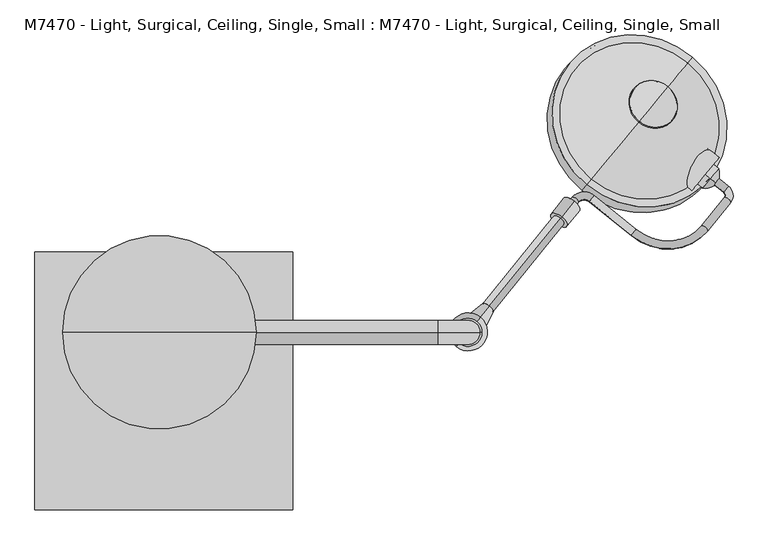
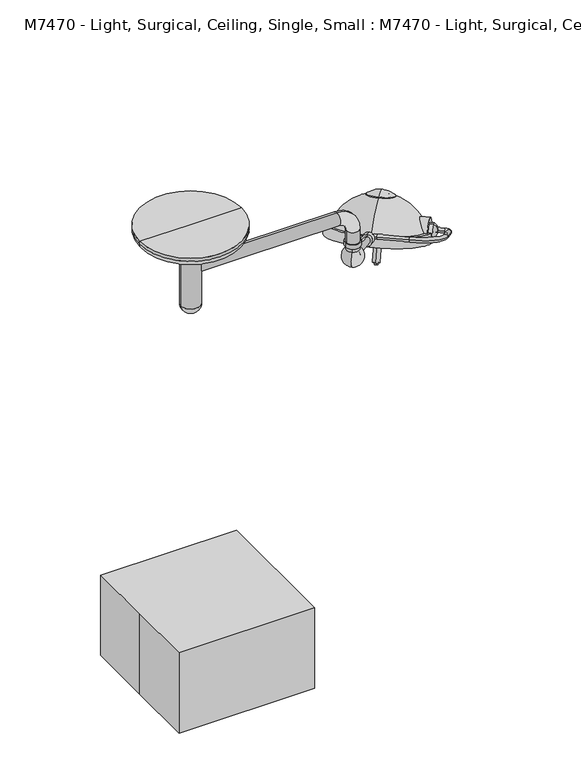
"""IFC4 building model written with IfcOpenShell, lengths in millimetres: proxy geometry, M7470 - Light, Surgical, Ceiling, Single, Small : M7470 - Light, Surgical, Ceiling, Single, Small."""

from ifc_helpers import new_model, si_unit, point, frame, frame_2d, origin, origin_with_axes, origin_2d, place, context, project, spatial, polyline, circle_curve, ellipse_curve, trimmed, segment, composite_curve, outline, extrude, source, transform, mapped, element, save
from ifc_brep_helpers import plane_surface, cylinder_surface, revolved_surface, advanced_brep


def m7470_light_surgical_ceiling_single_small_m7470_light_662d009d(model_context):
    return source(origin(), model_context, "Body", "SolidModel", [
        advanced_brep(
        [(1740.835031, 642.2802758, 1801.3604265), (1726.2322463, 624.2473385, 1811.6915373), (1762.8864892, 594.5653179, 1811.6915373), (1777.4892739, 612.5982552, 1801.3604265), (1765.4548505, 577.5564802, 1816.8570926), (1785.194358, 561.5717423, 1816.8570926), (1692.9754347, 488.0518556, 1868.1344952), (1712.7149421, 472.0671177, 1868.1344952), (1486.9216817, 475.7626592, 1930.1211596), (1472.318897, 457.7297218, 1940.4522704), (1355.271585, 582.3708055, 1930.1211596), (1340.6688003, 564.3378681, 1940.4522704), (1286.5870007, 578.2744067, 1950.7833811), (1306.3265081, 562.2896687, 1950.7833811), (1251.0372497, 494.0131207, 1989.8991704), (1231.2977423, 509.9978587, 1989.8991704)],
        [
            (0, 1, circle_curve(frame((1733.5336387, 633.2638072, 1806.5259819), z_axis=(-0.7771459614569792, 0.6293203910498273, 0.0), x_axis=(-0.5749127846454345, -0.7099581630143155, 0.40673664307580054)), 12.7)),
            (1, 0, circle_curve(frame((1733.5336387, 633.2638072, 1806.5259819), z_axis=(-0.7771459614569792, 0.6293203910498273, 0.0), x_axis=(-0.5749127846454345, -0.7099581630143155, 0.40673664307580054)), 12.7)),
            (1, 2),
            (2, 3, circle_curve(frame((1770.1878816, 603.5817865, 1806.5259819), z_axis=(-0.7771459614569792, 0.6293203910498273, 0.0), x_axis=(-0.5749127846454345, -0.7099581630143155, 0.40673664307580054)), 12.7)),
            (3, 0),
            (3, 2, circle_curve(frame((1770.1878816, 603.5817865, 1806.5259819), z_axis=(-0.7771459614569792, 0.6293203910498273, 0.0), x_axis=(-0.5749127846454345, -0.7099581630143155, 0.40673664307580054)), 12.7)),
            (4, 5, circle_curve(frame((1775.3246043, 569.5641113, 1816.8570926), z_axis=(0.5749127846454254, 0.7099581630143228, -0.4067366430758005), x_axis=(-0.7771459614569861, 0.629320391049819, 0.0)), 12.7)),
            (5, 3, circle_curve(frame((1755.5850968, 585.5488492, 1816.8570926), z_axis=(0.2559676632747577, 0.31609373954292624, 0.9135454576426008), x_axis=(0.5749127846454357, 0.7099581630143145, -0.4067366430758004)), 38.1)),
            (2, 4, circle_curve(frame((1755.5850968, 585.5488492, 1816.8570926), z_axis=(-0.2559676632747577, -0.31609373954292624, -0.9135454576426008), x_axis=(0.5749127846454357, 0.7099581630143145, -0.4067366430758004)), 12.7)),
            (5, 4, circle_curve(frame((1775.3246043, 569.5641113, 1816.8570926), z_axis=(0.5749127846454295, 0.7099581630143195, -0.4067366430758005), x_axis=(-0.777145961456983, 0.6293203910498227, 0.0)), 12.7)),
            (4, 6),
            (6, 7, circle_curve(frame((1702.8451884, 480.0594867, 1868.1344952), z_axis=(0.5749127846454346, 0.7099581630143152, -0.40673664307580043), x_axis=(-0.777145961456979, 0.6293203910498273, 0.0)), 12.7)),
            (7, 5),
            (7, 6, circle_curve(frame((1702.8451884, 480.0594867, 1868.1344952), z_axis=(0.5749127846454346, 0.7099581630143152, -0.40673664307580043), x_axis=(-0.777145961456979, 0.6293203910498273, 0.0)), 12.7)),
            (8, 9, circle_curve(frame((1479.6202894, 466.7461905, 1935.286715), z_axis=(0.7771459614569776, -0.6293203910498293, 0.0), x_axis=(0.5749127846454368, 0.7099581630143139, -0.4067366430758004)), 12.7)),
            (9, 7, circle_curve(frame((1574.5383901, 583.9602832, 1868.1344952), z_axis=(0.2559676632747577, 0.31609373954292624, 0.9135454576426008), x_axis=(0.7771459614569818, -0.6293203910498242, 0.0)), 177.8)),
            (6, 8, circle_curve(frame((1574.5383901, 583.9602832, 1868.1344952), z_axis=(-0.2559676632747577, -0.31609373954292624, -0.9135454576426008), x_axis=(0.7771459614569818, -0.6293203910498242, 0.0)), 152.4)),
            (9, 8, circle_curve(frame((1479.6202894, 466.7461905, 1935.286715), z_axis=(0.7771459614569789, -0.6293203910498277, 0.0), x_axis=(0.574912784645435, 0.7099581630143152, -0.4067366430758004)), 12.7)),
            (8, 10),
            (10, 11, circle_curve(frame((1347.9701926, 573.3543368, 1935.286715), z_axis=(0.777145961456978, -0.6293203910498286, 0.0), x_axis=(0.574912784645436, 0.7099581630143144, -0.4067366430758003)), 12.7)),
            (11, 9),
            (11, 10, circle_curve(frame((1347.9701926, 573.3543368, 1935.286715), z_axis=(0.777145961456978, -0.6293203910498286, 0.0), x_axis=(0.574912784645436, 0.7099581630143144, -0.4067366430758003)), 12.7)),
            (12, 13, circle_curve(frame((1296.4567544, 570.2820377, 1950.7833811), z_axis=(0.5749127846454382, 0.7099581630143125, -0.40673664307580054), x_axis=(-0.7771459614569767, 0.6293203910498307, 0.0)), 12.7)),
            (13, 11, circle_curve(frame((1326.0660155, 546.3049308, 1950.7833811), z_axis=(-0.2559676632747577, -0.31609373954292624, -0.9135454576426008), x_axis=(0.5749127846454407, 0.7099581630143105, -0.4067366430758004)), 25.4)),
            (10, 12, circle_curve(frame((1326.0660155, 546.3049308, 1950.7833811), z_axis=(0.2559676632747577, 0.31609373954292624, 0.9135454576426008), x_axis=(0.5749127846454407, 0.7099581630143105, -0.4067366430758004)), 50.8)),
            (13, 12, circle_curve(frame((1296.4567544, 570.2820377, 1950.7833811), z_axis=(0.5749127846454369, 0.7099581630143135, -0.40673664307580054), x_axis=(-0.7771459614569776, 0.6293203910498296, 0.0)), 12.7)),
            (14, 15, circle_curve(frame((1241.167496, 502.0054897, 1989.8991704), z_axis=(-0.5749127846454374, -0.7099581630143132, 0.40673664307580004), x_axis=(-0.7771459614569771, 0.6293203910498298, 0.0)), 12.7)),
            (15, 14, circle_curve(frame((1241.167496, 502.0054897, 1989.8991704), z_axis=(-0.5749127846454374, -0.7099581630143132, 0.40673664307580004), x_axis=(-0.7771459614569771, 0.6293203910498298, 0.0)), 12.7)),
            (12, 15),
            (14, 13),
        ],
        [
            plane_surface(frame((1306.7585861, 106.2405083, 283.3710423), z_axis=(-0.7771459614569792, 0.6293203910498271, 0.0), x_axis=(0.2559676632747578, 0.3160937395429264, 0.9135454576426008))),
            cylinder_surface(frame((1733.5336387, 633.2638072, 1806.5259819), z_axis=(-0.7771459614569792, 0.6293203910498273, 0.0), x_axis=(-0.5749127846454345, -0.7099581630143155, 0.40673664307580054)), 12.7),
            revolved_surface(trimmed(ellipse_curve(frame((1770.1878816, 603.5817865, 1806.5259819), z_axis=(0.7771459614569786, -0.6293203910498283, 0.0), x_axis=(-0.5749127846454356, -0.7099581630143146, 0.40673664307580043)), 12.7, 12.7), [point((1777.4892739, 612.5982552, 1801.3604265))], [point((1762.8864892, 594.5653179, 1811.6915373))], True, "CARTESIAN"), (1328.8100443, 58.5255503, 293.7021531), (0.25596766327475773, 0.3160937395429263, 0.913545457642601)),
            revolved_surface(trimmed(ellipse_curve(frame((1770.1878816, 603.5817865, 1806.5259819), z_axis=(0.7771459614569786, -0.6293203910498283, 0.0), x_axis=(-0.5749127846454356, -0.7099581630143146, 0.40673664307580043)), 12.7, 12.7), [point((1762.8864892, 594.5653179, 1811.6915373))], [point((1777.4892739, 612.5982552, 1801.3604265))], True, "CARTESIAN"), (1328.8100443, 58.5255503, 293.7021531), (0.25596766327475773, 0.3160937395429263, 0.913545457642601)),
            cylinder_surface(frame((1775.3246043, 569.5641113, 1816.8570926), z_axis=(0.5749127846454346, 0.7099581630143152, -0.40673664307580043), x_axis=(-0.777145961456979, 0.6293203910498273, 0.0)), 12.7),
            revolved_surface(trimmed(ellipse_curve(frame((1702.8451884, 480.0594867, 1868.1344952), z_axis=(-0.5749127846454308, -0.7099581630143185, 0.4067366430758007), x_axis=(-0.777145961456982, 0.6293203910498238, 0.0)), 12.7, 12.7), [point((1712.7149421, 472.0671177, 1868.1344952))], [point((1692.9754347, 488.0518556, 1868.1344952))], True, "CARTESIAN"), (1147.7633376, 56.9369844, 344.9795556), (0.25596766327475773, 0.3160937395429263, 0.913545457642601)),
            revolved_surface(trimmed(ellipse_curve(frame((1702.8451884, 480.0594867, 1868.1344952), z_axis=(-0.5749127846454308, -0.7099581630143185, 0.4067366430758007), x_axis=(-0.777145961456982, 0.6293203910498238, 0.0)), 12.7, 12.7), [point((1692.9754347, 488.0518556, 1868.1344952))], [point((1712.7149421, 472.0671177, 1868.1344952))], True, "CARTESIAN"), (1147.7633376, 56.9369844, 344.9795556), (0.25596766327475773, 0.3160937395429263, 0.913545457642601)),
            cylinder_surface(frame((1479.6202894, 466.7461905, 1935.286715), z_axis=(0.7771459614569782, -0.6293203910498287, 0.0), x_axis=(0.574912784645436, 0.7099581630143144, -0.4067366430758003)), 12.7),
            revolved_surface(trimmed(ellipse_curve(frame((1347.9701926, 573.3543368, 1935.286715), z_axis=(-0.777145961456975, 0.629320391049833, 0.0), x_axis=(0.5749127846454405, 0.7099581630143107, -0.4067366430758002)), 12.7, 12.7), [point((1340.6688003, 564.3378681, 1940.4522704))], [point((1355.271585, 582.3708055, 1930.1211596))], True, "CARTESIAN"), (899.290963, 19.2816319, 427.6284415), (-0.25596766327475773, -0.3160937395429263, -0.913545457642601)),
            revolved_surface(trimmed(ellipse_curve(frame((1347.9701926, 573.3543368, 1935.286715), z_axis=(-0.777145961456975, 0.629320391049833, 0.0), x_axis=(0.5749127846454405, 0.7099581630143107, -0.4067366430758002)), 12.7, 12.7), [point((1355.271585, 582.3708055, 1930.1211596))], [point((1340.6688003, 564.3378681, 1940.4522704))], True, "CARTESIAN"), (899.290963, 19.2816319, 427.6284415), (-0.25596766327475773, -0.3160937395429263, -0.913545457642601)),
            plane_surface(frame((814.3924435, -25.0178092, 466.7442308), z_axis=(-0.5749127846454377, -0.7099581630143132, 0.4067366430758001), x_axis=(0.25596766327475756, 0.3160937395429259, 0.9135454576426011))),
            cylinder_surface(frame((1296.4567544, 570.2820377, 1950.7833811), z_axis=(0.5749127846454374, 0.7099581630143132, -0.40673664307580004), x_axis=(-0.7771459614569771, 0.6293203910498298, 0.0)), 12.7),
        ],
        [
            (0, [[1, 2]]),
            (1, [[3, 4, 5, -2]]),
            (1, [[-5, 6, -3, -1]]),
            (2, [[7, 8, -4, 9]]),
            (3, [[10, -9, -6, -8]]),
            (4, [[11, 12, 13, -7]]),
            (4, [[-13, 14, -11, -10]]),
            (5, [[15, 16, -12, 17]]),
            (6, [[18, -17, -14, -16]]),
            (7, [[19, 20, 21, -15]]),
            (7, [[-21, 22, -19, -18]]),
            (8, [[23, 24, -20, 25]]),
            (9, [[26, -25, -22, -24]]),
            (10, [[27, 28]]),
            (11, [[29, -27, 30, -23]]),
            (11, [[-30, -28, -29, -26]]),
        ],
    ),
        advanced_brep(
        [(1721.261074, 637.7345795, 1763.693259), (1705.2225201, 651.0325107, 1763.693259), (1705.2225201, 651.0325107, 1844.9108067), (1721.261074, 637.7345795, 1844.9108067), (1741.0506282, 621.3266083, 1804.3020328), (1705.2225201, 651.0325107, 1804.3020328)],
        [
            (0, 1),
            (1, 2, circle_curve(frame((1705.2225201, 651.0325107, 1804.3020328), z_axis=(0.7698129796821993, -0.6382695169854298, 0.0), x_axis=(0.0, 0.0, 1.0)), 40.6087738)),
            (2, 3),
            (3, 0, circle_curve(frame((1721.261074, 637.7345795, 1804.3020328), z_axis=(-0.7698129796821993, 0.6382695169854298, 0.0), x_axis=(0.0, 0.0, 1.0)), 40.6087738)),
            (2, 1, circle_curve(frame((1705.2225201, 651.0325107, 1804.3020328), z_axis=(0.7698129796821993, -0.6382695169854298, 0.0), x_axis=(0.0, 0.0, 1.0)), 40.6087738)),
            (0, 3, circle_curve(frame((1721.261074, 637.7345795, 1804.3020328), z_axis=(-0.7698129796821993, 0.6382695169854298, 0.0), x_axis=(0.0, 0.0, 1.0)), 40.6087738)),
            (4, 0, circle_curve(frame((1698.880381, 656.290923, 1810.5387051), z_axis=(0.6382695169854301, 0.769812979682199, 0.0), x_axis=(-0.7698129796821991, 0.63826951698543, 0.0)), 55.1337385)),
            (3, 4, circle_curve(frame((1698.880381, 656.290923, 1798.0653606), z_axis=(0.6382695169854297, 0.7698129796821994, 0.0), x_axis=(-0.7698129796821995, 0.6382695169854296, 0.0)), 55.1337385)),
            (1, 5),
            (5, 2),
        ],
        [
            cylinder_surface(frame((1705.2225201, 651.0325107, 1804.3020328), z_axis=(0.7698129796821993, -0.6382695169854298, 0.0), x_axis=(0.0, 0.0, 1.0)), 40.6087738),
            revolved_surface(trimmed(ellipse_curve(frame((1698.880381, 656.290923, 1798.0653606), z_axis=(0.6382695169854297, 0.7698129796821994, 0.0), x_axis=(-0.7698129796821995, 0.6382695169854296, 0.0)), 55.1337385, 55.1337385), [point((1721.261074, 637.7345795, 1844.9108067))], [point((1741.0506282, 621.3266083, 1804.3020328))], True, "CARTESIAN"), (1705.2225201, 651.0325107, 1804.3020328), (0.7698129796821993, -0.6382695169854298, 0.0)),
            revolved_surface(trimmed(ellipse_curve(frame((1698.880381, 656.290923, 1798.0653606), z_axis=(0.6382695169854296, 0.7698129796821995, 0.0), x_axis=(-0.7698129796821996, 0.6382695169854294, 0.0)), 55.1337385, 55.1337385), [point((1721.261074, 637.7345795, 1844.9108067))], [point((1741.0506282, 621.3266083, 1804.3020328))], True, "CARTESIAN"), (1705.2225201, 651.0325107, 1804.3020328), (0.7698129796821993, -0.6382695169854298, 0.0)),
            plane_surface(frame((1705.2225201, 651.0325107, 1804.3020328), z_axis=(-0.7698129796821992, 0.6382695169854299, 0.0), x_axis=(0.0, 0.0, 1.0))),
        ],
        [
            (0, [[1, 2, 3, 4]]),
            (0, [[-3, 5, -1, 6]]),
            (1, [[7, -4, 8]]),
            (2, [[-8, -6, -7]]),
            (3, [[9, 10, -2]]),
            (3, [[-10, -9, -5]]),
        ],
    ),
        advanced_brep(
        [(1496.9081674, 817.6344001, 1984.2946884), (1549.4769053, 881.037235, 1978.868084), (1587.2262401, 926.5664779, 1921.2927814), (1495.0601272, 815.4054901, 1981.6876662), (1587.2262401, 926.5664779, 1917.3966478), (1545.2418093, 875.9293114, 1963.9650044)],
        [
            (0, 1, circle_curve(frame((1514.8788649, 839.308749, 1783.8916913), z_axis=(-0.7698129796821976, 0.6382695169854321, 0.0), x_axis=(0.42708566892083927, 0.5151054258776686, -0.7431448254773932)), 202.3711557)),
            (1, 2, circle_curve(frame((1480.1450063, 797.4164536, 1808.1205002), z_axis=(-0.7698129796821995, 0.6382695169854299, 0.0), x_axis=(-0.6382695169854299, -0.7698129796821994, 0.0)), 202.3711557)),
            (2, 0, circle_curve(frame((1542.0672038, 872.100439, 1952.7937349), z_axis=(0.25960760071626565, 0.31311114715211635, 0.9135454576426013), x_axis=(0.5830882179937766, 0.7032591508229892, -0.4067366430757995)), 77.4480344)),
            (0, 2, circle_curve(frame((1542.0672038, 872.100439, 1952.7937349), z_axis=(0.25960760071626565, 0.31311114715211635, 0.9135454576426013), x_axis=(0.5830882179937766, 0.7032591508229892, -0.4067366430757995)), 77.4480344)),
            (3, 0),
            (2, 4),
            (4, 3, circle_curve(frame((1541.1431837, 870.985984, 1949.542157), z_axis=(0.25960760071626565, 0.31311114715211635, 0.9135454576426013), x_axis=(0.5830882179937766, 0.7032591508229892, -0.4067366430757995)), 79.0327347)),
            (3, 4, circle_curve(frame((1541.1431837, 870.985984, 1949.542157), z_axis=(0.25960760071626565, 0.31311114715211635, 0.9135454576426013), x_axis=(0.5830882179937766, 0.7032591508229892, -0.4067366430757995)), 79.0327347)),
            (5, 3, circle_curve(frame((1480.6908648, 798.0748102, 1698.5639329), z_axis=(0.7698129796821976, -0.6382695169854321, 0.0), x_axis=(0.42708566892083927, 0.5151054258776686, -0.7431448254773932)), 284.0173877)),
            (4, 5, circle_curve(frame((1462.5480105, 776.192824, 1711.2195886), z_axis=(0.7698129796821995, -0.6382695169854299, 0.0), x_axis=(-0.6382695169854299, -0.7698129796821994, 0.0)), 284.0173877)),
        ],
        [
            revolved_surface(trimmed(ellipse_curve(frame((1480.1450063, 797.4164536, 1808.1205002), z_axis=(-0.7698129796821995, 0.6382695169854299, 0.0), x_axis=(-0.6382695169854299, -0.7698129796821994, 0.0)), 202.3711557, 202.3711557), [point((1549.4769053, 881.037235, 1978.868084))], [point((1587.2262401, 926.5664779, 1921.2927814))], True, "CARTESIAN"), (1516.9910853, 841.8562852, 1864.5521965), (-0.25960760071626565, -0.31311114715211635, -0.9135454576426013)),
            revolved_surface(trimmed(ellipse_curve(frame((1480.1450063, 797.4164536, 1808.1205002), z_axis=(-0.7698129796821993, 0.6382695169854298, 0.0), x_axis=(-0.6382695169854298, -0.7698129796821993, 0.0)), 202.3711557, 202.3711557), [point((1549.4769053, 881.037235, 1978.868084))], [point((1587.2262401, 926.5664779, 1921.2927814))], True, "CARTESIAN"), (1516.9910853, 841.8562852, 1864.5521965), (-0.25960760071626565, -0.31311114715211635, -0.9135454576426013)),
            revolved_surface(polyline([(1587.2262401, 926.5664779, 1921.2927814), (1587.2262401, 926.5664779, 1917.3966478)]), (1516.9910853, 841.8562852, 1864.5521965), (-0.25960760071626565, -0.31311114715211635, -0.9135454576426013)),
            revolved_surface(trimmed(ellipse_curve(frame((1462.5480105, 776.192824, 1711.2195886), z_axis=(0.7698129796821995, -0.6382695169854299, 0.0), x_axis=(-0.6382695169854299, -0.7698129796821994, 0.0)), 284.0173877, 284.0173877), [point((1587.2262401, 926.5664779, 1917.3966478))], [point((1545.2418093, 875.9293114, 1963.9650044))], True, "CARTESIAN"), (1516.9910853, 841.8562852, 1864.5521965), (-0.25960760071626565, -0.31311114715211635, -0.9135454576426013)),
            revolved_surface(trimmed(ellipse_curve(frame((1462.5480105, 776.192824, 1711.2195886), z_axis=(0.7698129796821993, -0.6382695169854298, 0.0), x_axis=(-0.6382695169854298, -0.7698129796821993, 0.0)), 284.0173877, 284.0173877), [point((1587.2262401, 926.5664779, 1917.3966478))], [point((1545.2418093, 875.9293114, 1963.9650044))], True, "CARTESIAN"), (1516.9910853, 841.8562852, 1864.5521965), (-0.25960760071626565, -0.31311114715211635, -0.9135454576426013)),
        ],
        [
            (0, [[1, 2, 3]]),
            (1, [[-2, -1, 4]]),
            (2, [[5, -3, 6, 7]]),
            (2, [[-6, -4, -5, 8]]),
            (3, [[9, -7, 10]]),
            (4, [[-10, -8, -9]]),
        ],
    ),
        advanced_brep(
        [(1448.7501126, 759.5512633, 1624.4158117), (1456.1553329, 768.4826545, 1619.2502563), (1441.3448922, 750.6198721, 1629.5813671), (1451.1647669, 762.4635632, 1609.2425198), (1445.5510315, 755.6928711, 1613.1584142), (1439.9372961, 748.922179, 1617.0743086)],
        [
            (0, 1),
            (1, 2, circle_curve(frame((1448.7501126, 759.5512633, 1624.4158117), z_axis=(0.2596076007162656, 0.31311114715211635, 0.9135454576426013), x_axis=(-0.5830882179937766, -0.7032591508229892, 0.40673664307579943)), 12.7)),
            (2, 0),
            (2, 1, circle_curve(frame((1448.7501126, 759.5512633, 1624.4158117), z_axis=(0.2596076007162656, 0.31311114715211635, 0.9135454576426013), x_axis=(-0.5830882179937766, -0.7032591508229892, 0.40673664307579943)), 12.7)),
            (3, 4),
            (4, 5),
            (5, 3, circle_curve(frame((1445.5510315, 755.6928711, 1613.1584142), z_axis=(-0.2596076007162656, -0.31311114715211635, -0.9135454576426013), x_axis=(-0.5830882179937766, -0.7032591508229892, 0.40673664307579943)), 9.6275919)),
            (3, 5, circle_curve(frame((1445.5510315, 755.6928711, 1613.1584142), z_axis=(-0.2596076007162656, -0.31311114715211635, -0.9135454576426013), x_axis=(-0.5830882179937766, -0.7032591508229892, 0.40673664307579943)), 9.6275919)),
            (1, 3),
            (5, 2),
        ],
        [
            plane_surface(frame((1448.7501126, 759.5512633, 1624.4158117), z_axis=(0.25960760071626565, 0.31311114715211635, 0.9135454576426012), x_axis=(-0.5830882179937766, -0.7032591508229892, 0.40673664307579943))),
            plane_surface(frame((1445.5510315, 755.6928711, 1613.1584142), z_axis=(-0.25960760071626565, -0.31311114715211635, -0.9135454576426012), x_axis=(-0.5830882179937766, -0.7032591508229892, 0.40673664307579943))),
            revolved_surface(polyline([(1439.9372961, 748.922179, 1617.0743086), (1441.3448922, 750.6198721, 1629.5813671)]), (1475.1262448, 791.3633558, 1717.2320302), (0.2596076007162656, 0.31311114715211635, 0.9135454576426013)),
        ],
        [
            (0, [[1, 2, 3]]),
            (0, [[-3, 4, -1]]),
            (1, [[5, 6, 7]]),
            (1, [[-6, -5, 8]]),
            (2, [[9, -7, 10, -2]]),
            (2, [[-10, -8, -9, -4]]),
        ],
    ),
        advanced_brep(
        [(1475.1262448, 791.3633558, 1717.2320302), (1486.2340754, 804.7604427, 1709.4836971), (1464.0184142, 777.966269, 1724.9803632), (1459.8579431, 772.9483501, 1616.6674786), (1448.7501126, 759.5512633, 1624.4158117), (1437.642282, 746.1541765, 1632.1641447)],
        [
            (0, 1),
            (1, 2, circle_curve(frame((1475.1262448, 791.3633558, 1717.2320302), z_axis=(0.2596076007162656, 0.31311114715211635, 0.9135454576426013), x_axis=(-0.5830882179937766, -0.7032591508229892, 0.40673664307579943)), 19.05)),
            (2, 0),
            (2, 1, circle_curve(frame((1475.1262448, 791.3633558, 1717.2320302), z_axis=(0.2596076007162656, 0.31311114715211635, 0.9135454576426013), x_axis=(-0.5830882179937766, -0.7032591508229892, 0.40673664307579943)), 19.05)),
            (3, 4),
            (4, 5),
            (5, 3, circle_curve(frame((1448.7501126, 759.5512633, 1624.4158117), z_axis=(-0.2596076007162656, -0.31311114715211635, -0.9135454576426013), x_axis=(-0.5830882179937766, -0.7032591508229892, 0.40673664307579943)), 19.05)),
            (3, 5, circle_curve(frame((1448.7501126, 759.5512633, 1624.4158117), z_axis=(-0.2596076007162656, -0.31311114715211635, -0.9135454576426013), x_axis=(-0.5830882179937766, -0.7032591508229892, 0.40673664307579943)), 19.05)),
            (1, 3),
            (5, 2),
        ],
        [
            plane_surface(frame((1475.1262448, 791.3633558, 1717.2320302), z_axis=(0.25960760071626565, 0.31311114715211635, 0.9135454576426012), x_axis=(-0.5830882179937766, -0.7032591508229892, 0.40673664307579943))),
            plane_surface(frame((1448.7501126, 759.5512633, 1624.4158117), z_axis=(-0.25960760071626565, -0.31311114715211635, -0.9135454576426012), x_axis=(-0.5830882179937766, -0.7032591508229892, 0.40673664307579943))),
            cylinder_surface(frame((1475.1262448, 791.3633558, 1717.2320302), z_axis=(0.2596076007162656, 0.31311114715211635, 0.9135454576426013), x_axis=(-0.5830882179937766, -0.7032591508229892, 0.40673664307579943)), 19.05),
        ],
        [
            (0, [[1, 2, 3]]),
            (0, [[-3, 4, -1]]),
            (1, [[5, 6, 7]]),
            (1, [[-6, -5, 8]]),
            (2, [[9, -7, 10, -2]]),
            (2, [[-10, -8, -9, -4]]),
        ],
    ),
        advanced_brep(
        [(1480.0717696, 797.3281232, 1734.6350712), (1505.9900409, 828.5879925, 1716.5556274), (1454.1534983, 766.0682539, 1752.7145149), (1501.0445161, 822.6232251, 1699.1525864), (1475.1262448, 791.3633558, 1717.2320302), (1449.2079735, 760.1034866, 1735.311474)],
        [
            (0, 1),
            (1, 2, circle_curve(frame((1480.0717696, 797.3281232, 1734.6350712), z_axis=(0.2596076007162652, 0.31311114715211585, 0.9135454576426016), x_axis=(-0.5830882179937769, -0.7032591508229895, 0.4067366430757988)), 44.45)),
            (2, 0),
            (2, 1, circle_curve(frame((1480.0717696, 797.3281232, 1734.6350712), z_axis=(0.2596076007162652, 0.31311114715211585, 0.9135454576426016), x_axis=(-0.5830882179937769, -0.7032591508229895, 0.4067366430757988)), 44.45)),
            (3, 4),
            (4, 5),
            (5, 3, circle_curve(frame((1475.1262448, 791.3633558, 1717.2320302), z_axis=(-0.2596076007162652, -0.31311114715211585, -0.9135454576426016), x_axis=(-0.5830882179937769, -0.7032591508229895, 0.4067366430757988)), 44.45)),
            (3, 5, circle_curve(frame((1475.1262448, 791.3633558, 1717.2320302), z_axis=(-0.2596076007162652, -0.31311114715211585, -0.9135454576426016), x_axis=(-0.5830882179937769, -0.7032591508229895, 0.4067366430757988)), 44.45)),
            (1, 3),
            (5, 2),
        ],
        [
            plane_surface(frame((1480.0717696, 797.3281232, 1734.6350712), z_axis=(0.25960760071626526, 0.31311114715211585, 0.9135454576426016), x_axis=(-0.5830882179937769, -0.7032591508229895, 0.4067366430757988))),
            plane_surface(frame((1475.1262448, 791.3633558, 1717.2320302), z_axis=(-0.25960760071626526, -0.31311114715211585, -0.9135454576426016), x_axis=(-0.5830882179937769, -0.7032591508229895, 0.4067366430757988))),
            cylinder_surface(frame((1480.0717696, 797.3281232, 1734.6350712), z_axis=(0.2596076007162652, 0.31311114715211585, 0.9135454576426016), x_axis=(-0.5830882179937769, -0.7032591508229895, 0.4067366430757988)), 44.45),
        ],
        [
            (0, [[1, 2, 3]]),
            (0, [[-3, 4, -1]]),
            (1, [[5, 6, 7]]),
            (1, [[-6, -5, 8]]),
            (2, [[9, -7, 10, -2]]),
            (2, [[-10, -8, -9, -4]]),
        ],
    ),
        advanced_brep(
        [(1483.0837441, 800.9608473, 1745.2340505), (1516.4072357, 841.1521078, 1721.9890514), (1449.7602524, 760.7695868, 1768.4790497), (1510.3832868, 833.8866596, 1713.4910927), (1480.0717696, 797.3281232, 1734.6350712), (1449.7602524, 760.7695868, 1755.7790497)],
        [
            (0, 1),
            (1, 2, circle_curve(frame((1483.0837441, 800.9608473, 1745.2340505), z_axis=(0.25960760071626576, 0.3131111471521165, 0.9135454576426012), x_axis=(-0.5830882179937765, -0.7032591508229892, 0.40673664307579965)), 57.15)),
            (2, 0),
            (2, 1, circle_curve(frame((1483.0837441, 800.9608473, 1745.2340505), z_axis=(0.25960760071626576, 0.3131111471521165, 0.9135454576426012), x_axis=(-0.5830882179937765, -0.7032591508229892, 0.40673664307579965)), 57.15)),
            (3, 4),
            (4, 5),
            (5, 3, circle_curve(frame((1480.0717696, 797.3281232, 1734.6350712), z_axis=(-0.25960760071626576, -0.3131111471521165, -0.9135454576426012), x_axis=(-0.5830882179937765, -0.7032591508229892, 0.40673664307579965)), 51.9844446)),
            (3, 5, circle_curve(frame((1480.0717696, 797.3281232, 1734.6350712), z_axis=(-0.25960760071626576, -0.3131111471521165, -0.9135454576426012), x_axis=(-0.5830882179937765, -0.7032591508229892, 0.40673664307579965)), 51.9844446)),
            (1, 3),
            (5, 2),
        ],
        [
            plane_surface(frame((1483.0837441, 800.9608473, 1745.2340505), z_axis=(0.25960760071626576, 0.3131111471521165, 0.9135454576426012), x_axis=(-0.5830882179937765, -0.7032591508229892, 0.40673664307579965))),
            plane_surface(frame((1480.0717696, 797.3281232, 1734.6350712), z_axis=(-0.25960760071626576, -0.3131111471521165, -0.9135454576426012), x_axis=(-0.5830882179937765, -0.7032591508229892, 0.40673664307579965))),
            revolved_surface(polyline([(1449.7602524, 760.7695868, 1755.7790497), (1449.7602524, 760.7695868, 1768.4790497)]), (1483.0837441, 800.9608473, 1745.2340505), (0.25960760071626576, 0.3131111471521165, 0.9135454576426012)),
        ],
        [
            (0, [[1, 2, 3]]),
            (0, [[-3, 4, -1]]),
            (1, [[5, 6, 7]]),
            (1, [[-6, -5, 8]]),
            (2, [[9, -7, 10, -2]]),
            (2, [[-10, -8, -9, -4]]),
        ],
    ),
        extrude(outline(composite_curve([segment(polyline([(25.1937137, 4.6953206), (-31.6273953, 132.317621)]), True, "CONTINUOUS"), segment(trimmed(circle_curve(frame_2d((0.0, 69.9387006)), 69.9387006), [point((-31.6273953, 132.317621))], [point((25.1937137, 4.6953206))], False, "CARTESIAN"), True, "CONTINUOUS")], self_intersect=False)), frame((1659.5038481, 595.8914987, 1800.6600142), z_axis=(-0.7698129796821992, 0.6382695169854299, 0.0), x_axis=(0.0, 0.0, 1.0)), (0.0, 0.0, 1.0), 84.2600986),
        advanced_brep(
        [(1346.1133009, 635.7616294, 1903.3370584), (1545.2465329, 875.9350086, 1963.9816266), (1649.727336, 1001.9486693, 1691.5492884), (1350.1582608, 640.640231, 1900.5154726), (1645.6823761, 997.0700677, 1694.3708742), (1543.5949178, 873.9430057, 1958.1696802)],
        [
            (0, 1, circle_curve(frame((1477.2351085, 793.9068435, 1679.3194701), z_axis=(-0.7698129796821976, 0.6382695169854323, 0.0), x_axis=(0.4270856689208392, 0.5151054258776685, -0.7431448254773935)), 303.9518334)),
            (1, 2, circle_curve(frame((1455.7322005, 767.972317, 1694.318951), z_axis=(-0.7698129796821995, 0.6382695169854298, 0.0), x_axis=(-0.6382695169854299, -0.7698129796821995, 0.0)), 303.9518334)),
            (2, 0, circle_curve(frame((1497.9203184, 818.8551493, 1797.4431734), z_axis=(0.2596076007162657, 0.31311114715211646, 0.9135454576426013), x_axis=(0.5830882179937766, 0.7032591508229892, -0.4067366430757996)), 260.35)),
            (0, 2, circle_curve(frame((1497.9203184, 818.8551493, 1797.4431734), z_axis=(0.2596076007162657, 0.31311114715211646, 0.9135454576426013), x_axis=(0.5830882179937766, 0.7032591508229892, -0.4067366430757996)), 260.35)),
            (3, 0),
            (2, 4),
            (4, 3, circle_curve(frame((1497.9203184, 818.8551493, 1797.4431734), z_axis=(0.2596076007162657, 0.31311114715211646, 0.9135454576426013), x_axis=(0.5830882179937766, 0.7032591508229892, -0.4067366430757996)), 253.412868)),
            (3, 4, circle_curve(frame((1497.9203184, 818.8551493, 1797.4431734), z_axis=(0.2596076007162657, 0.31311114715211646, 0.9135454576426013), x_axis=(0.5830882179937766, 0.7032591508229892, -0.4067366430757996)), 253.412868)),
            (5, 3, circle_curve(frame((1477.2351085, 793.9068435, 1679.3194701), z_axis=(0.7698129796821976, -0.6382695169854323, 0.0), x_axis=(0.4270856689208392, 0.5151054258776685, -0.7431448254773935)), 297.6018334)),
            (4, 5, circle_curve(frame((1455.7322005, 767.972317, 1694.318951), z_axis=(0.7698129796821995, -0.6382695169854298, 0.0), x_axis=(-0.6382695169854299, -0.7698129796821995, 0.0)), 297.6018334)),
        ],
        [
            revolved_surface(trimmed(ellipse_curve(frame((1455.7322005, 767.972317, 1694.318951), z_axis=(-0.7698129796821995, 0.6382695169854298, 0.0), x_axis=(-0.6382695169854299, -0.7698129796821995, 0.0)), 303.9518334, 303.9518334), [point((1545.2465329, 875.9350086, 1963.9816266))], [point((1649.727336, 1001.9486693, 1691.5492884))], True, "CARTESIAN"), (1497.9203184, 818.8551493, 1797.4431734), (-0.2596076007162657, -0.31311114715211646, -0.9135454576426013)),
            revolved_surface(trimmed(ellipse_curve(frame((1455.7322005, 767.972317, 1694.318951), z_axis=(-0.7698129796821995, 0.6382695169854299, 0.0), x_axis=(-0.6382695169854299, -0.7698129796821995, 0.0)), 303.9518334, 303.9518334), [point((1545.2465329, 875.9350086, 1963.9816266))], [point((1649.727336, 1001.9486693, 1691.5492884))], True, "CARTESIAN"), (1497.9203184, 818.8551493, 1797.4431734), (-0.2596076007162657, -0.31311114715211646, -0.9135454576426013)),
            plane_surface(frame((1497.9203184, 818.8551493, 1797.4431734), z_axis=(-0.25960760071626576, -0.31311114715211646, -0.9135454576426012), x_axis=(0.5830882179937766, 0.7032591508229892, -0.4067366430757996))),
            revolved_surface(trimmed(ellipse_curve(frame((1455.7322005, 767.972317, 1694.318951), z_axis=(0.7698129796821995, -0.6382695169854298, 0.0), x_axis=(-0.6382695169854299, -0.7698129796821995, 0.0)), 297.6018334, 297.6018334), [point((1645.6823761, 997.0700677, 1694.3708742))], [point((1543.5949178, 873.9430057, 1958.1696802))], True, "CARTESIAN"), (1497.9203184, 818.8551493, 1797.4431734), (-0.2596076007162657, -0.31311114715211646, -0.9135454576426013)),
            revolved_surface(trimmed(ellipse_curve(frame((1455.7322005, 767.972317, 1694.318951), z_axis=(0.7698129796821995, -0.6382695169854299, 0.0), x_axis=(-0.6382695169854299, -0.7698129796821995, 0.0)), 297.6018334, 297.6018334), [point((1645.6823761, 997.0700677, 1694.3708742))], [point((1543.5949178, 873.9430057, 1958.1696802))], True, "CARTESIAN"), (1497.9203184, 818.8551493, 1797.4431734), (-0.2596076007162657, -0.31311114715211646, -0.9135454576426013)),
        ],
        [
            (0, [[1, 2, 3]]),
            (1, [[-2, -1, 4]]),
            (2, [[5, -3, 6, 7]]),
            (2, [[-6, -4, -5, 8]]),
            (3, [[9, -7, 10]]),
            (4, [[-10, -8, -9]]),
        ],
    ),
        advanced_brep(
        [(1316.4662858, 600.0045449, 1861.4590463), (1331.3028602, 617.898847, 1913.6681692), (1664.5377767, 1019.8114517, 1681.2181777), (1649.7012024, 1001.9171496, 1629.0090547), (1320.168896, 604.4702405, 1858.8762686), (1645.9985922, 997.451454, 1631.5918324), (1333.3569621, 620.3762868, 1905.2843778), (1659.1866583, 1013.3575003, 1677.9999417), (1496.2718102, 816.8668936, 1791.6421598), (1497.9203184, 818.8551493, 1797.4431734)],
        [
            (0, 1),
            (1, 2, circle_curve(frame((1497.9203184, 818.8551493, 1797.4431734), z_axis=(-0.2596076007162655, -0.3131111471521162, -0.9135454576426014), x_axis=(0.5830882179937767, 0.7032591508229893, -0.4067366430757992)), 285.75)),
            (2, 3),
            (3, 0, circle_curve(frame((1483.0837441, 800.9608473, 1745.2340505), z_axis=(0.2596076007162655, 0.3131111471521162, 0.9135454576426014), x_axis=(0.5830882179937767, 0.7032591508229893, -0.4067366430757992)), 285.75)),
            (2, 1, circle_curve(frame((1497.9203184, 818.8551493, 1797.4431734), z_axis=(-0.2596076007162655, -0.3131111471521162, -0.9135454576426014), x_axis=(0.5830882179937767, 0.7032591508229893, -0.4067366430757992)), 285.75)),
            (0, 3, circle_curve(frame((1483.0837441, 800.9608473, 1745.2340505), z_axis=(0.2596076007162655, 0.3131111471521162, 0.9135454576426014), x_axis=(0.5830882179937767, 0.7032591508229893, -0.4067366430757992)), 285.75)),
            (4, 0),
            (3, 5),
            (5, 4, circle_curve(frame((1483.0837441, 800.9608473, 1745.2340505), z_axis=(0.2596076007162655, 0.3131111471521162, 0.9135454576426014), x_axis=(0.5830882179937767, 0.7032591508229893, -0.4067366430757992)), 279.4)),
            (4, 5, circle_curve(frame((1483.0837441, 800.9608473, 1745.2340505), z_axis=(0.2596076007162655, 0.3131111471521162, 0.9135454576426014), x_axis=(0.5830882179937767, 0.7032591508229893, -0.4067366430757992)), 279.4)),
            (6, 4),
            (5, 7),
            (7, 6, circle_curve(frame((1496.2718102, 816.8668936, 1791.6421598), z_axis=(0.2596076007162655, 0.3131111471521162, 0.9135454576426014), x_axis=(0.5830882179937767, 0.7032591508229893, -0.4067366430757992)), 279.4)),
            (6, 7, circle_curve(frame((1496.2718102, 816.8668936, 1791.6421598), z_axis=(0.2596076007162655, 0.3131111471521162, 0.9135454576426014), x_axis=(0.5830882179937767, 0.7032591508229893, -0.4067366430757992)), 279.4)),
            (8, 6),
            (7, 8),
            (1, 9),
            (9, 2),
        ],
        [
            cylinder_surface(frame((1483.0837441, 800.9608473, 1745.2340505), z_axis=(-0.2596076007162655, -0.3131111471521162, -0.9135454576426014), x_axis=(0.5830882179937767, 0.7032591508229893, -0.4067366430757992)), 285.75),
            plane_surface(frame((1483.0837441, 800.9608473, 1745.2340505), z_axis=(-0.2596076007162655, -0.3131111471521162, -0.9135454576426014), x_axis=(0.5830882179937767, 0.7032591508229893, -0.4067366430757992))),
            revolved_surface(polyline([(1645.9985921978723, 997.451454028378, 1631.5918323908784), (1659.1866583370233, 1013.3575003311619, 1677.9999417192307)]), (1483.0837441, 800.9608473, 1745.2340505), (-0.2596076007162655, -0.3131111471521162, -0.9135454576426014)),
            plane_surface(frame((1496.2718102, 816.8668936, 1791.6421598), z_axis=(-0.2596076007162655, -0.3131111471521162, -0.9135454576426014), x_axis=(0.5830882179937767, 0.7032591508229893, -0.4067366430757992))),
            plane_surface(frame((1497.9203184, 818.8551493, 1797.4431734), z_axis=(0.2596076007162655, 0.3131111471521162, 0.9135454576426014), x_axis=(0.5830882179937767, 0.7032591508229893, -0.4067366430757992))),
        ],
        [
            (0, [[1, 2, 3, 4]]),
            (0, [[-3, 5, -1, 6]]),
            (1, [[7, -4, 8, 9]]),
            (1, [[-8, -6, -7, 10]]),
            (2, [[11, -9, 12, 13]]),
            (2, [[-12, -10, -11, 14]]),
            (3, [[15, -13, 16]]),
            (3, [[-16, -14, -15]]),
            (4, [[17, 18, -2]]),
            (4, [[-18, -17, -5]]),
        ],
    ),
        advanced_brep(
        [(1235.7366669, 495.2989743, 1958.9919398), (1244.1809696, 505.7268197, 1987.767212), (1252.6252723, 516.1546651, 2016.5424843), (1275.5761712, 544.4966648, 1929.4720542), (1292.4647766, 565.3523556, 1987.0225987), (1284.0204739, 554.9245102, 1958.2473264)],
        [
            (0, 1),
            (1, 2),
            (2, 0, circle_curve(frame((1244.1809696, 505.7268197, 1987.767212), z_axis=(-0.5703579709494108, -0.7043334365325427, 0.42261826174069883), x_axis=(0.265962289743456, 0.32843607534975183, 0.9063077870366504)), 31.75)),
            (0, 2, circle_curve(frame((1244.1809696, 505.7268197, 1987.767212), z_axis=(-0.5703579709494108, -0.7043334365325427, 0.42261826174069883), x_axis=(0.265962289743456, 0.32843607534975183, 0.9063077870366504)), 31.75)),
            (3, 0),
            (2, 4),
            (4, 3, circle_curve(frame((1284.0204739, 554.9245102, 1958.2473264), z_axis=(-0.5703579709494108, -0.7043334365325427, 0.42261826174069883), x_axis=(0.265962289743456, 0.32843607534975183, 0.9063077870366504)), 31.75)),
            (3, 4, circle_curve(frame((1284.0204739, 554.9245102, 1958.2473264), z_axis=(-0.5703579709494108, -0.7043334365325427, 0.42261826174069883), x_axis=(0.265962289743456, 0.32843607534975183, 0.9063077870366504)), 31.75)),
            (5, 3),
            (4, 5),
        ],
        [
            plane_surface(frame((1244.1809696, 505.7268197, 1987.767212), z_axis=(-0.5703579709494109, -0.7043334365325429, 0.42261826174069894), x_axis=(0.265962289743456, 0.32843607534975183, 0.9063077870366504))),
            cylinder_surface(frame((1244.1809696, 505.7268197, 1987.767212), z_axis=(0.5703579709494108, 0.7043334365325427, -0.42261826174069883), x_axis=(0.265962289743456, 0.32843607534975183, 0.9063077870366504)), 31.75),
            plane_surface(frame((1284.0204739, 554.9245102, 1958.2473264), z_axis=(0.5703579709494109, 0.7043334365325429, -0.42261826174069894), x_axis=(0.265962289743456, 0.32843607534975183, 0.9063077870366504))),
        ],
        [
            (0, [[1, 2, 3]]),
            (0, [[-2, -1, 4]]),
            (1, [[5, -3, 6, 7]]),
            (1, [[-6, -4, -5, 8]]),
            (2, [[9, -7, 10]]),
            (2, [[-10, -8, -9]]),
        ],
    ),
        extrude(outline(composite_curve([segment(trimmed(circle_curve(origin_2d(), 20.2288163), [point((0.0, 20.2288163))], [point((0.0, -20.2288163))], False, "CARTESIAN"), True, "CONTINUOUS"), segment(trimmed(circle_curve(origin_2d(), 20.2288163), [point((0.0, -20.2288163))], [point((0.0, 20.2288163))], False, "CARTESIAN"), True, "CONTINUOUS")], self_intersect=False)), frame((1244.1809696, 505.7268197, 1987.767212), z_axis=(-0.5703579709494108, -0.7043334365325428, 0.4226182617406986), x_axis=(0.777145961456977, -0.62932039104983, 0.0)), (0.0, 0.0, 1.0), 393.7),
        advanced_brep(
        [(976.8515115, 175.602432, 2183.0066897), (985.8538291, 186.7193684, 2216.7067436), (967.849194, 164.4854957, 2149.3066358), (1024.9063629, 234.9452313, 2173.9001347), (1019.6310364, 228.4307457, 2154.1520217), (1014.35571, 221.9162601, 2134.4039086)],
        [
            (0, 1),
            (1, 2, circle_curve(frame((976.8515115, 175.602432, 2183.0066897), z_axis=(-0.5792924743379562, -0.7153666293621104, 0.3907311284892742), x_axis=(-0.24589506657621132, -0.3036551185209666, -0.9205048534524403)), 36.6104033)),
            (2, 0),
            (2, 1, circle_curve(frame((976.8515115, 175.602432, 2183.0066897), z_axis=(-0.5792924743379562, -0.7153666293621104, 0.3907311284892742), x_axis=(-0.24589506657621132, -0.3036551185209666, -0.9205048534524403)), 36.6104033)),
            (3, 4),
            (4, 5),
            (5, 3, circle_curve(frame((1019.6310364, 228.4307457, 2154.1520217), z_axis=(0.5792924743379562, 0.7153666293621104, -0.3907311284892742), x_axis=(-0.24589506657621132, -0.3036551185209666, -0.9205048534524403)), 21.4535676)),
            (3, 5, circle_curve(frame((1019.6310364, 228.4307457, 2154.1520217), z_axis=(0.5792924743379562, 0.7153666293621104, -0.3907311284892742), x_axis=(-0.24589506657621132, -0.3036551185209666, -0.9205048534524403)), 21.4535676)),
            (1, 3),
            (5, 2),
        ],
        [
            plane_surface(frame((976.8515115, 175.602432, 2183.0066897), z_axis=(-0.5792924743379563, -0.7153666293621104, 0.3907311284892742), x_axis=(-0.24589506657621132, -0.3036551185209666, -0.9205048534524403))),
            plane_surface(frame((1019.6310364, 228.4307457, 2154.1520217), z_axis=(0.5792924743379563, 0.7153666293621104, -0.3907311284892742), x_axis=(-0.24589506657621132, -0.3036551185209666, -0.9205048534524403))),
            revolved_surface(polyline([(1014.35571, 221.9162601, 2134.4039086), (967.849194, 164.4854957, 2149.3066358)]), (990.2029787, 192.0901209, 2174.001163), (-0.579292474337956, -0.7153666293621103, 0.3907311284892741)),
        ],
        [
            (0, [[1, 2, 3]]),
            (0, [[-3, 4, -1]]),
            (1, [[5, 6, 7]]),
            (1, [[-6, -5, 8]]),
            (2, [[9, -7, 10, -2]]),
            (2, [[-10, -8, -9, -4]]),
        ],
    ),
        advanced_brep(
        [(959.0523183, 153.6222589, 2277.562195), (983.0294252, 183.23152, 2277.562195), (935.0752114, 124.0129978, 2277.562195), (983.0294252, 183.23152, 2251.7869575), (959.0523183, 153.6222589, 2145.7286543), (935.0752114, 124.0129978, 2251.7869575)],
        [
            (0, 1),
            (1, 2, circle_curve(frame((959.0523183, 153.6222589, 2277.562195), z_axis=(0.0, 0.0, 1.0), x_axis=(-0.6293203910498301, -0.777145961456977, 0.0)), 38.1)),
            (2, 0),
            (2, 1, circle_curve(frame((959.0523183, 153.6222589, 2277.562195), z_axis=(0.0, 0.0, 1.0), x_axis=(-0.6293203910498301, -0.777145961456977, 0.0)), 38.1)),
            (3, 4, circle_curve(frame((959.0523183, 153.6222589, 2205.6012588), z_axis=(-0.7771459614569791, 0.6293203910498274, 0.0), x_axis=(0.6293203910498274, 0.7771459614569791, 0.0)), 59.8726045)),
            (4, 5, circle_curve(frame((959.0523183, 153.6222589, 2205.6012588), z_axis=(-0.7771459614569771, 0.62932039104983, 0.0), x_axis=(-0.62932039104983, -0.7771459614569771, 0.0)), 59.8726045)),
            (5, 3, circle_curve(frame((959.0523183, 153.6222589, 2251.7869575), z_axis=(0.0, 0.0, -1.0), x_axis=(-0.6293203910498301, -0.777145961456977, 0.0)), 38.1)),
            (3, 5, circle_curve(frame((959.0523183, 153.6222589, 2251.7869575), z_axis=(0.0, 0.0, -1.0), x_axis=(-0.6293203910498301, -0.777145961456977, 0.0)), 38.1)),
            (1, 3),
            (5, 2),
        ],
        [
            plane_surface(frame((959.0523183, 153.6222589, 2277.562195), z_axis=(0.0, 0.0, 1.0000000000000002), x_axis=(-0.6293203910498301, -0.777145961456977, 0.0))),
            revolved_surface(trimmed(ellipse_curve(frame((959.0523183, 153.6222589, 2205.6012588), z_axis=(-0.7771459614569771, 0.62932039104983, 0.0), x_axis=(-0.62932039104983, -0.7771459614569771, 0.0)), 59.8726045, 59.8726045), [point((959.0523183, 153.6222589, 2145.7286543))], [point((935.0752114, 124.0129978, 2251.7869575))], True, "CARTESIAN"), (959.0523183, 153.6222589, 2277.562195), (0.0, 0.0, 1.0)),
            cylinder_surface(frame((959.0523183, 153.6222589, 2277.562195), z_axis=(0.0, 0.0, 1.0), x_axis=(-0.6293203910498301, -0.777145961456977, 0.0)), 38.1),
        ],
        [
            (0, [[1, 2, 3]]),
            (0, [[-3, 4, -1]]),
            (1, [[5, 6, 7]]),
            (1, [[-6, -5, 8]]),
            (2, [[9, -7, 10, -2]]),
            (2, [[-10, -8, -9, -4]]),
        ],
    ),
        advanced_brep(
        [(912.6181725, 152.4, 2277.562195), (957.0681725, 152.4, 2277.562195), (1001.5181725, 152.4, 2277.562195), (912.6181725, 152.4, 2302.962195), (1001.5181725, 152.4, 2302.962195), (957.0681725, 152.4, 2302.962195)],
        [
            (0, 1),
            (1, 2),
            (2, 0, circle_curve(frame((957.0681725, 152.4, 2277.562195), z_axis=(0.0, 0.0, -1.0), x_axis=(1.0, 0.0, 0.0)), 44.45)),
            (0, 2, circle_curve(frame((957.0681725, 152.4, 2277.562195), z_axis=(0.0, 0.0, -1.0), x_axis=(1.0, 0.0, 0.0)), 44.45)),
            (3, 0),
            (2, 4),
            (4, 3, circle_curve(frame((957.0681725, 152.4, 2302.962195), z_axis=(0.0, 0.0, -1.0), x_axis=(1.0, 0.0, 0.0)), 44.45)),
            (3, 4, circle_curve(frame((957.0681725, 152.4, 2302.962195), z_axis=(0.0, 0.0, -1.0), x_axis=(1.0, 0.0, 0.0)), 44.45)),
            (5, 3),
            (4, 5),
        ],
        [
            plane_surface(frame((957.0681725, 152.4, 2277.562195), z_axis=(0.0, 0.0, -1.0), x_axis=(1.0, 0.0, 0.0))),
            cylinder_surface(frame((957.0681725, 152.4, 2302.962195), z_axis=(0.0, 0.0, 1.0), x_axis=(1.0, 0.0, 0.0)), 44.45),
            plane_surface(frame((957.0681725, 152.4, 2302.962195), z_axis=(0.0, 0.0, 1.0), x_axis=(1.0, 0.0, 0.0))),
        ],
        [
            (0, [[1, 2, 3]]),
            (0, [[-2, -1, 4]]),
            (1, [[5, -3, 6, 7]]),
            (1, [[-6, -4, -5, 8]]),
            (2, [[9, -7, 10]]),
            (2, [[-10, -8, -9]]),
        ],
    ),
        advanced_brep(
        [(0.0, 152.4, 2436.312195), (0.0, 152.4, 2512.512195), (861.8181725, 152.4, 2512.512195), (861.8181725, 152.4, 2436.312195), (995.1681725, 152.4, 2379.162195), (918.9681725, 152.4, 2379.162195), (918.9681725, 152.4, 2302.962195), (995.1681725, 152.4, 2302.962195)],
        [
            (0, 1, circle_curve(frame((0.0, 152.4, 2474.412195), z_axis=(-1.0, 0.0, 0.0), x_axis=(0.0, 0.0, 1.0)), 38.1)),
            (1, 0, circle_curve(frame((0.0, 152.4, 2474.412195), z_axis=(-1.0, 0.0, 0.0), x_axis=(0.0, 0.0, 1.0)), 38.1)),
            (1, 2),
            (2, 3, circle_curve(frame((861.8181725, 152.4, 2474.412195), z_axis=(-1.0, 0.0, 0.0), x_axis=(0.0, 0.0, 1.0)), 38.1)),
            (3, 0),
            (3, 2, circle_curve(frame((861.8181725, 152.4, 2474.412195), z_axis=(-1.0, 0.0, 0.0), x_axis=(0.0, 0.0, 1.0)), 38.1)),
            (4, 5, circle_curve(frame((957.0681725, 152.4, 2379.162195), z_axis=(0.0, 0.0, 1.0), x_axis=(1.0, 0.0, 0.0)), 38.1)),
            (5, 3, circle_curve(frame((861.8181725, 152.4, 2379.162195), z_axis=(0.0, -1.0, 0.0), x_axis=(0.0, 0.0, 1.0)), 57.15)),
            (2, 4, circle_curve(frame((861.8181725, 152.4, 2379.162195), z_axis=(0.0, 1.0, 0.0), x_axis=(0.0, 0.0, 1.0)), 133.35)),
            (5, 4, circle_curve(frame((957.0681725, 152.4, 2379.162195), z_axis=(0.0, 0.0, 1.0), x_axis=(1.0, 0.0, 0.0)), 38.1)),
            (6, 7, circle_curve(frame((957.0681725, 152.4, 2302.962195), z_axis=(0.0, 0.0, -1.0), x_axis=(1.0, 0.0, 0.0)), 38.1)),
            (7, 6, circle_curve(frame((957.0681725, 152.4, 2302.962195), z_axis=(0.0, 0.0, -1.0), x_axis=(1.0, 0.0, 0.0)), 38.1)),
            (4, 7),
            (6, 5),
        ],
        [
            plane_surface(frame((0.0, 152.4, 2474.412195), z_axis=(-1.0, 0.0, 0.0), x_axis=(0.0, 1.0, 0.0))),
            cylinder_surface(frame((0.0, 152.4, 2474.412195), z_axis=(-1.0, 0.0, 0.0), x_axis=(0.0, 0.0, 1.0)), 38.1),
            revolved_surface(trimmed(ellipse_curve(frame((861.8181725, 152.4, 2474.412195), z_axis=(1.0, 0.0, 0.0), x_axis=(0.0, 0.0, 1.0)), 38.1, 38.1), [point((861.8181725, 152.4, 2436.312195))], [point((861.8181725, 152.4, 2512.512195))], True, "CARTESIAN"), (861.8181725, 152.4, 2379.162195), (0.0, -1.0, 0.0)),
            revolved_surface(trimmed(ellipse_curve(frame((861.8181725, 152.4, 2474.412195), z_axis=(1.0, 0.0, 0.0), x_axis=(0.0, 0.0, 1.0)), 38.1, 38.1), [point((861.8181725, 152.4, 2512.512195))], [point((861.8181725, 152.4, 2436.312195))], True, "CARTESIAN"), (861.8181725, 152.4, 2379.162195), (0.0, -1.0, 0.0)),
            plane_surface(frame((957.0681725, 152.4, 2302.962195), z_axis=(0.0, 0.0, -1.0), x_axis=(0.0, 1.0, 0.0))),
            cylinder_surface(frame((957.0681725, 152.4, 2379.162195), z_axis=(0.0, 0.0, 1.0), x_axis=(1.0, 0.0, 0.0)), 38.1),
        ],
        [
            (0, [[1, 2]]),
            (1, [[3, 4, 5, -2]]),
            (1, [[-5, 6, -3, -1]]),
            (2, [[7, 8, -4, 9]]),
            (3, [[10, -9, -6, -8]]),
            (4, [[11, 12]]),
            (5, [[13, -11, 14, -7]]),
            (5, [[-14, -12, -13, -10]]),
        ],
    ),
        advanced_brep(
        [(-14.387671, 152.4, 2700.8770044), (-71.537671, 152.4, 2700.8770044), (42.762329, 152.4, 2700.8770044), (-20.737671, 152.4, 2197.0921178), (-14.387671, 152.4, 2197.0921178), (-8.037671, 152.4, 2197.0921178), (-71.537671, 152.4, 2247.8921178), (42.762329, 152.4, 2247.8921178)],
        [
            (0, 1),
            (1, 2, circle_curve(frame((-14.387671, 152.4, 2700.8770044), z_axis=(0.0, 0.0, 1.0), x_axis=(1.0, 0.0, 0.0)), 57.15)),
            (2, 0),
            (2, 1, circle_curve(frame((-14.387671, 152.4, 2700.8770044), z_axis=(0.0, 0.0, 1.0), x_axis=(1.0, 0.0, 0.0)), 57.15)),
            (3, 4),
            (4, 5),
            (5, 3, circle_curve(frame((-14.387671, 152.4, 2197.0921178), z_axis=(0.0, 0.0, -1.0), x_axis=(1.0, 0.0, 0.0)), 6.35)),
            (3, 5, circle_curve(frame((-14.387671, 152.4, 2197.0921178), z_axis=(0.0, 0.0, -1.0), x_axis=(1.0, 0.0, 0.0)), 6.35)),
            (6, 3, circle_curve(frame((-20.737671, 152.4, 2247.8921178), z_axis=(0.0, -1.0, 0.0), x_axis=(-1.0, 0.0, 0.0)), 50.8)),
            (5, 7, circle_curve(frame((-8.037671, 152.4, 2247.8921178), z_axis=(0.0, -1.0, 0.0), x_axis=(1.0, 0.0, 0.0)), 50.8)),
            (7, 6, circle_curve(frame((-14.387671, 152.4, 2247.8921178), z_axis=(0.0, 0.0, -1.0), x_axis=(1.0, 0.0, 0.0)), 57.15)),
            (6, 7, circle_curve(frame((-14.387671, 152.4, 2247.8921178), z_axis=(0.0, 0.0, -1.0), x_axis=(1.0, 0.0, 0.0)), 57.15)),
            (1, 6),
            (7, 2),
        ],
        [
            plane_surface(frame((-14.387671, 152.4, 2700.8770044), z_axis=(0.0, 0.0, 1.0), x_axis=(1.0, 0.0, 0.0))),
            plane_surface(frame((-14.387671, 152.4, 2197.0921178), z_axis=(0.0, 0.0, -1.0), x_axis=(1.0, 0.0, 0.0))),
            revolved_surface(trimmed(ellipse_curve(frame((-8.037671, 152.4, 2247.8921178), z_axis=(0.0, -1.0, 0.0), x_axis=(1.0, 0.0, 0.0)), 50.8, 50.8), [point((-8.037671, 152.4, 2197.0921178))], [point((42.762329, 152.4, 2247.8921178))], True, "CARTESIAN"), (-14.387671, 152.4, 2666.9921178), (0.0, 0.0, 1.0)),
            cylinder_surface(frame((-14.387671, 152.4, 2666.9921178), z_axis=(0.0, 0.0, 1.0), x_axis=(1.0, 0.0, 0.0)), 57.15),
        ],
        [
            (0, [[1, 2, 3]]),
            (0, [[-3, 4, -1]]),
            (1, [[5, 6, 7]]),
            (1, [[-6, -5, 8]]),
            (2, [[9, -7, 10, 11]]),
            (2, [[-10, -8, -9, 12]]),
            (3, [[13, -11, 14, -2]]),
            (3, [[-14, -12, -13, -4]]),
        ],
    ),
        advanced_brep(
        [(-14.4818275, 152.4, 2743.2), (-319.2818275, 152.4, 2743.2), (290.3181725, 152.4, 2743.2), (-281.1818275, 152.4, 2686.05), (-14.4818275, 152.4, 2686.05), (252.2181725, 152.4, 2686.05), (-319.2818275, 152.4, 2724.15), (290.3181725, 152.4, 2724.15)],
        [
            (0, 1),
            (1, 2, circle_curve(frame((-14.4818275, 152.4, 2743.2), z_axis=(0.0, 0.0, 1.0), x_axis=(1.0, 0.0, 0.0)), 304.8)),
            (2, 0),
            (2, 1, circle_curve(frame((-14.4818275, 152.4, 2743.2), z_axis=(0.0, 0.0, 1.0), x_axis=(1.0, 0.0, 0.0)), 304.8)),
            (3, 4),
            (4, 5),
            (5, 3, circle_curve(frame((-14.4818275, 152.4, 2686.05), z_axis=(0.0, 0.0, -1.0), x_axis=(1.0, 0.0, 0.0)), 266.7)),
            (3, 5, circle_curve(frame((-14.4818275, 152.4, 2686.05), z_axis=(0.0, 0.0, -1.0), x_axis=(1.0, 0.0, 0.0)), 266.7)),
            (6, 3, circle_curve(frame((-281.1818275, 152.4, 2724.15), z_axis=(0.0, -1.0, 0.0), x_axis=(-1.0, 0.0, 0.0)), 38.1)),
            (5, 7, circle_curve(frame((252.2181725, 152.4, 2724.15), z_axis=(0.0, -1.0, 0.0), x_axis=(1.0, 0.0, 0.0)), 38.1)),
            (7, 6, circle_curve(frame((-14.4818275, 152.4, 2724.15), z_axis=(0.0, 0.0, -1.0), x_axis=(1.0, 0.0, 0.0)), 304.8)),
            (6, 7, circle_curve(frame((-14.4818275, 152.4, 2724.15), z_axis=(0.0, 0.0, -1.0), x_axis=(1.0, 0.0, 0.0)), 304.8)),
            (1, 6),
            (7, 2),
        ],
        [
            plane_surface(frame((-14.4818275, 152.4, 2743.2), z_axis=(0.0, 0.0, 1.0), x_axis=(1.0, 0.0, 0.0))),
            plane_surface(frame((-14.4818275, 152.4, 2686.05), z_axis=(0.0, 0.0, -1.0), x_axis=(1.0, 0.0, 0.0))),
            revolved_surface(trimmed(ellipse_curve(frame((252.2181725, 152.4, 2724.15), z_axis=(0.0, -1.0, 0.0), x_axis=(1.0, 0.0, 0.0)), 38.1, 38.1), [point((252.2181725, 152.4, 2686.05))], [point((290.3181725, 152.4, 2724.15))], True, "CARTESIAN"), (-14.4818275, 152.4, 2749.55), (0.0, 0.0, 1.0)),
            cylinder_surface(frame((-14.4818275, 152.4, 2749.55), z_axis=(0.0, 0.0, 1.0), x_axis=(1.0, 0.0, 0.0)), 304.8),
        ],
        [
            (0, [[1, 2, 3]]),
            (0, [[-3, 4, -1]]),
            (1, [[5, 6, 7]]),
            (1, [[-6, -5, 8]]),
            (2, [[9, -7, 10, 11]]),
            (2, [[-10, -8, -9, 12]]),
            (3, [[13, -11, 14, -2]]),
            (3, [[-14, -12, -13, -4]]),
        ],
    ),
        extrude(outline(polyline([(-406.4, -406.4), (-406.4, 0.0), (-406.4, 406.4), (406.4, 406.4), (406.4, -406.4), (-406.4, -406.4)])), origin_with_axes(), (0.0, 0.0, 1.0), 508.0),
    ])


if __name__ == "__main__":
    model = new_model("IFC4")
    model_context = context("Model", 3, world=origin())
    ifc_project = project(units=[si_unit("LENGTHUNIT", "METRE", prefix="MILLI")], contexts=[model_context])
    site = spatial("IfcSite", under=ifc_project)
    building = spatial("IfcBuilding", under=site)
    placement = place(None, origin())
    m7470_light_surgical_ceiling_single_small_m7470_light_shape = m7470_light_surgical_ceiling_single_small_m7470_light_662d009d(model_context)
    element("IfcBuildingElementProxy", 1, Name="M7470 - Light, Surgical, Ceiling, Single, Small : M7470 - Light, Surgical, Ceiling, Single, Small", ObjectType="M7470 - Light, Surgical, Ceiling, Single, Small : M7470 - Light, Surgical, Ceiling, Single, Small", at=placement, inside=building, context=model_context, shape_type="MappedRepresentation", body=[
        mapped(m7470_light_surgical_ceiling_single_small_m7470_light_shape, transform((0.0, 0.0, 0.0), x_axis=(1.0, 0.0, 0.0), y_axis=(0.0, 1.0, 0.0), z_axis=(0.0, 0.0, 1.0))),
    ])
    save(model, "model.ifc")
